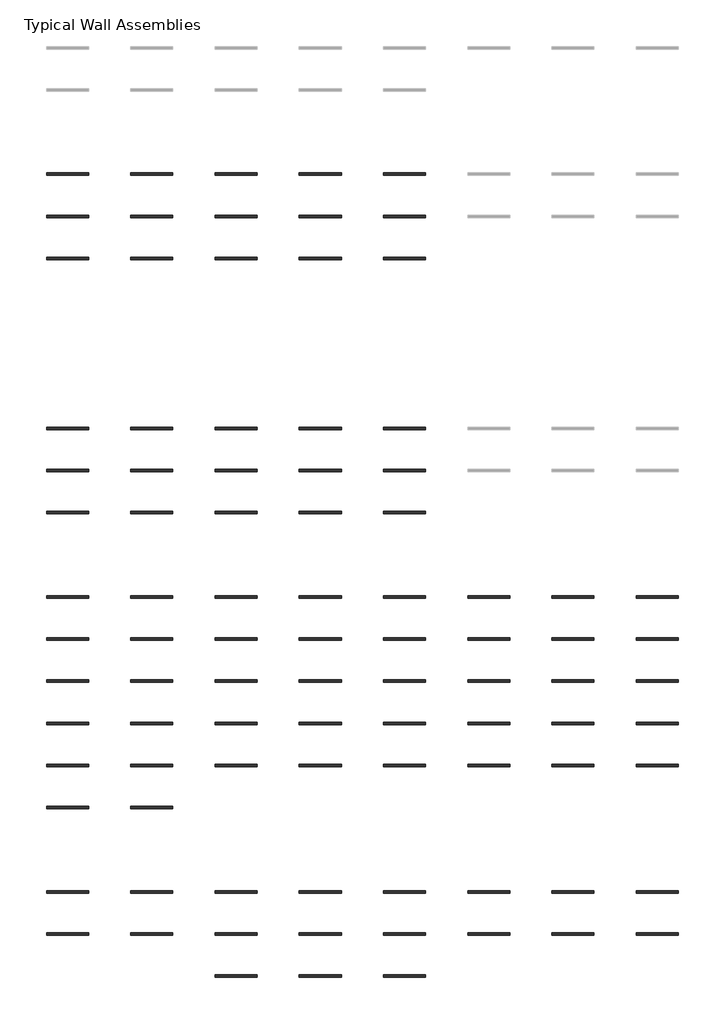
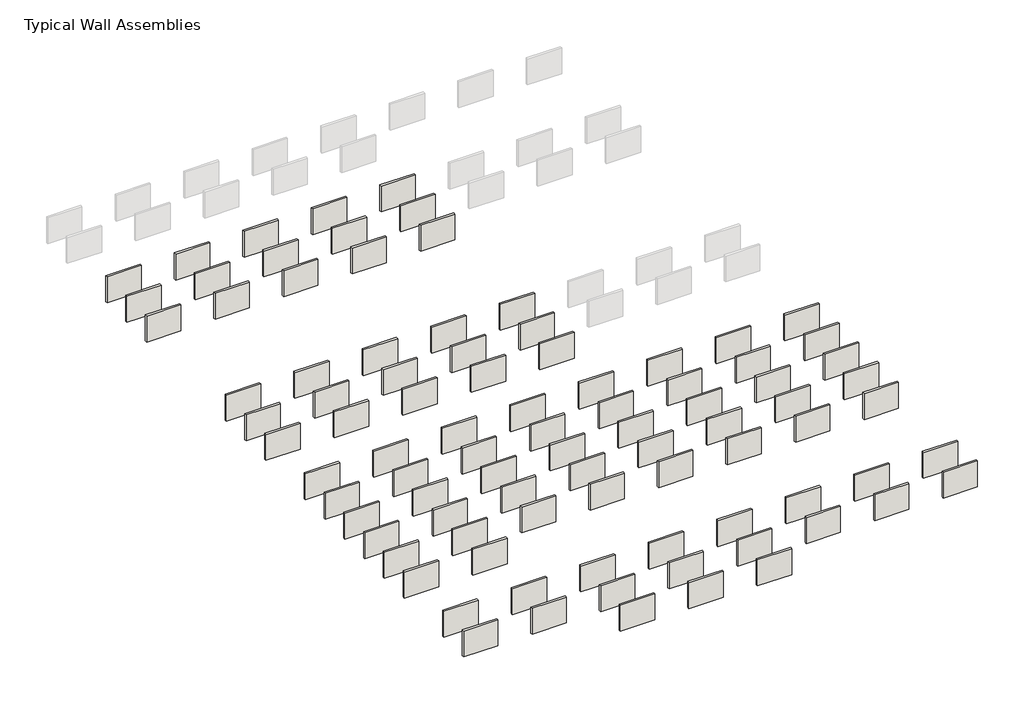
# One storey, part 5 of 8: 91 walls.
"""IFC4 building model written with IfcOpenShell, lengths in millimetres."""

from ifc_helpers import new_model, si_unit, frame, origin, place, context, project, spatial, polyline, outline, extrude, element, save

model = new_model("IFC4")

# Units and contexts
model_context = context("Model", 3, world=origin())
ifc_project = project(units=[si_unit("LENGTHUNIT", "METRE", prefix="MILLI")], contexts=[model_context])

# Site, building, storey
site = spatial("IfcSite", under=ifc_project)
building = spatial("IfcBuilding", under=site)
storey = spatial("IfcBuildingStorey", under=building, Name="Typical Wall Assemblies", Elevation=6096.0)

# Walls
placement = place(None, origin())
element("IfcWall", 1, at=placement, inside=storey, context=model_context, shape_type="SweptSolid", body=[
    extrude(outline(polyline([(3356.874931, -118750.4405032), (308.874931, -118750.4405032), (308.874931, -118574.2279991), (3356.874931, -118574.2279991), (3356.874931, -118750.4405032)])), frame((0.0, 0.0, 6096.0), z_axis=(0.0, 0.0, 1.0), x_axis=(1.0, 0.0, 0.0)), (0.0, 0.0, 1.0), 2438.4),
])
element("IfcWall", 2, at=placement, inside=storey, context=model_context, shape_type="SweptSolid", body=[
    extrude(outline(polyline([(9452.874931, -118750.4405032), (6404.874931, -118750.4405032), (6404.874931, -118574.2279991), (9452.874931, -118574.2279991), (9452.874931, -118750.4405032)])), frame((0.0, 0.0, 6096.0), z_axis=(0.0, 0.0, 1.0), x_axis=(1.0, 0.0, 0.0)), (0.0, 0.0, 1.0), 2438.4),
])
element("IfcWall", 3, at=placement, inside=storey, context=model_context, shape_type="SweptSolid", body=[
    extrude(outline(polyline([(15548.874931, -118750.4405032), (12500.874931, -118750.4405032), (12500.874931, -118574.2279991), (15548.874931, -118574.2279991), (15548.874931, -118750.4405032)])), frame((0.0, 0.0, 6096.0), z_axis=(0.0, 0.0, 1.0), x_axis=(1.0, 0.0, 0.0)), (0.0, 0.0, 1.0), 2438.4),
])
element("IfcWall", 4, at=placement, inside=storey, context=model_context, shape_type="SweptSolid", body=[
    extrude(outline(polyline([(21644.874931, -118750.4405032), (18596.874931, -118750.4405032), (18596.874931, -118574.2279991), (21644.874931, -118574.2279991), (21644.874931, -118750.4405032)])), frame((0.0, 0.0, 6096.0), z_axis=(0.0, 0.0, 1.0), x_axis=(1.0, 0.0, 0.0)), (0.0, 0.0, 1.0), 2438.4),
])
element("IfcWall", 5, at=placement, inside=storey, context=model_context, shape_type="SweptSolid", body=[
    extrude(outline(polyline([(27740.874931, -118750.4405032), (24692.874931, -118750.4405032), (24692.874931, -118574.2279991), (27740.874931, -118574.2279991), (27740.874931, -118750.4405032)])), frame((0.0, 0.0, 6096.0), z_axis=(0.0, 0.0, 1.0), x_axis=(1.0, 0.0, 0.0)), (0.0, 0.0, 1.0), 2438.4),
])
element("IfcWall", 6, at=placement, inside=storey, context=model_context, shape_type="SweptSolid", body=[
    extrude(outline(polyline([(3356.874931, -121798.4405032), (308.874931, -121798.4405032), (308.874931, -121622.2279991), (3356.874931, -121622.2279991), (3356.874931, -121798.4405032)])), frame((0.0, 0.0, 6096.0), z_axis=(0.0, 0.0, 1.0), x_axis=(1.0, 0.0, 0.0)), (0.0, 0.0, 1.0), 2438.4),
])
element("IfcWall", 7, at=placement, inside=storey, context=model_context, shape_type="SweptSolid", body=[
    extrude(outline(polyline([(9452.874931, -121798.4405032), (6404.874931, -121798.4405032), (6404.874931, -121622.2279991), (9452.874931, -121622.2279991), (9452.874931, -121798.4405032)])), frame((0.0, 0.0, 6096.0), z_axis=(0.0, 0.0, 1.0), x_axis=(1.0, 0.0, 0.0)), (0.0, 0.0, 1.0), 2438.4),
])
element("IfcWall", 8, at=placement, inside=storey, context=model_context, shape_type="SweptSolid", body=[
    extrude(outline(polyline([(15548.874931, -121798.4405032), (12500.874931, -121798.4405032), (12500.874931, -121622.2279991), (15548.874931, -121622.2279991), (15548.874931, -121798.4405032)])), frame((0.0, 0.0, 6096.0), z_axis=(0.0, 0.0, 1.0), x_axis=(1.0, 0.0, 0.0)), (0.0, 0.0, 1.0), 2438.4),
])
element("IfcWall", 9, at=placement, inside=storey, context=model_context, shape_type="SweptSolid", body=[
    extrude(outline(polyline([(21644.874931, -121798.4405032), (18596.874931, -121798.4405032), (18596.874931, -121622.2279991), (21644.874931, -121622.2279991), (21644.874931, -121798.4405032)])), frame((0.0, 0.0, 6096.0), z_axis=(0.0, 0.0, 1.0), x_axis=(1.0, 0.0, 0.0)), (0.0, 0.0, 1.0), 2438.4),
])
element("IfcWall", 10, at=placement, inside=storey, context=model_context, shape_type="SweptSolid", body=[
    extrude(outline(polyline([(27740.874931, -121798.4405032), (24692.874931, -121798.4405032), (24692.874931, -121622.2279991), (27740.874931, -121622.2279991), (27740.874931, -121798.4405032)])), frame((0.0, 0.0, 6096.0), z_axis=(0.0, 0.0, 1.0), x_axis=(1.0, 0.0, 0.0)), (0.0, 0.0, 1.0), 2438.4),
])
element("IfcWall", 11, at=placement, inside=storey, context=model_context, shape_type="SweptSolid", body=[
    extrude(outline(polyline([(3356.874931, -124846.4405032), (308.874931, -124846.4405032), (308.874931, -124670.2279991), (3356.874931, -124670.2279991), (3356.874931, -124846.4405032)])), frame((0.0, 0.0, 6096.0), z_axis=(0.0, 0.0, 1.0), x_axis=(1.0, 0.0, 0.0)), (0.0, 0.0, 1.0), 2438.4),
])
element("IfcWall", 12, at=placement, inside=storey, context=model_context, shape_type="SweptSolid", body=[
    extrude(outline(polyline([(9452.874931, -124846.4405032), (6404.874931, -124846.4405032), (6404.874931, -124670.2279991), (9452.874931, -124670.2279991), (9452.874931, -124846.4405032)])), frame((0.0, 0.0, 6096.0), z_axis=(0.0, 0.0, 1.0), x_axis=(1.0, 0.0, 0.0)), (0.0, 0.0, 1.0), 2438.4),
])
element("IfcWall", 13, at=placement, inside=storey, context=model_context, shape_type="SweptSolid", body=[
    extrude(outline(polyline([(15548.874931, -124846.4405032), (12500.874931, -124846.4405032), (12500.874931, -124670.2279991), (15548.874931, -124670.2279991), (15548.874931, -124846.4405032)])), frame((0.0, 0.0, 6096.0), z_axis=(0.0, 0.0, 1.0), x_axis=(1.0, 0.0, 0.0)), (0.0, 0.0, 1.0), 2438.4),
])
element("IfcWall", 14, at=placement, inside=storey, context=model_context, shape_type="SweptSolid", body=[
    extrude(outline(polyline([(21644.874931, -124846.4405032), (18596.874931, -124846.4405032), (18596.874931, -124670.2279991), (21644.874931, -124670.2279991), (21644.874931, -124846.4405032)])), frame((0.0, 0.0, 6096.0), z_axis=(0.0, 0.0, 1.0), x_axis=(1.0, 0.0, 0.0)), (0.0, 0.0, 1.0), 2438.4),
])
element("IfcWall", 15, at=placement, inside=storey, context=model_context, shape_type="SweptSolid", body=[
    extrude(outline(polyline([(27740.874931, -124846.4405032), (24692.874931, -124846.4405032), (24692.874931, -124670.2279991), (27740.874931, -124670.2279991), (27740.874931, -124846.4405032)])), frame((0.0, 0.0, 6096.0), z_axis=(0.0, 0.0, 1.0), x_axis=(1.0, 0.0, 0.0)), (0.0, 0.0, 1.0), 2438.4),
])
element("IfcWall", 16, at=placement, inside=storey, context=model_context, shape_type="SweptSolid", body=[
    extrude(outline(polyline([(3356.874931, -130942.4405032), (308.874931, -130942.4405032), (308.874931, -130766.2279991), (3356.874931, -130766.2279991), (3356.874931, -130942.4405032)])), frame((0.0, 0.0, 6096.0), z_axis=(0.0, 0.0, 1.0), x_axis=(1.0, 0.0, 0.0)), (0.0, 0.0, 1.0), 2438.4),
])
element("IfcWall", 17, at=placement, inside=storey, context=model_context, shape_type="SweptSolid", body=[
    extrude(outline(polyline([(9452.874931, -130942.4405032), (6404.874931, -130942.4405032), (6404.874931, -130766.2279991), (9452.874931, -130766.2279991), (9452.874931, -130942.4405032)])), frame((0.0, 0.0, 6096.0), z_axis=(0.0, 0.0, 1.0), x_axis=(1.0, 0.0, 0.0)), (0.0, 0.0, 1.0), 2438.4),
])
element("IfcWall", 18, at=placement, inside=storey, context=model_context, shape_type="SweptSolid", body=[
    extrude(outline(polyline([(15548.874931, -130942.4405032), (12500.874931, -130942.4405032), (12500.874931, -130766.2279991), (15548.874931, -130766.2279991), (15548.874931, -130942.4405032)])), frame((0.0, 0.0, 6096.0), z_axis=(0.0, 0.0, 1.0), x_axis=(1.0, 0.0, 0.0)), (0.0, 0.0, 1.0), 2438.4),
])
element("IfcWall", 19, at=placement, inside=storey, context=model_context, shape_type="SweptSolid", body=[
    extrude(outline(polyline([(21644.874931, -130942.4405032), (18596.874931, -130942.4405032), (18596.874931, -130766.2279991), (21644.874931, -130766.2279991), (21644.874931, -130942.4405032)])), frame((0.0, 0.0, 6096.0), z_axis=(0.0, 0.0, 1.0), x_axis=(1.0, 0.0, 0.0)), (0.0, 0.0, 1.0), 2438.4),
])
element("IfcWall", 20, at=placement, inside=storey, context=model_context, shape_type="SweptSolid", body=[
    extrude(outline(polyline([(27740.874931, -130942.4405032), (24692.874931, -130942.4405032), (24692.874931, -130766.2279991), (27740.874931, -130766.2279991), (27740.874931, -130942.4405032)])), frame((0.0, 0.0, 6096.0), z_axis=(0.0, 0.0, 1.0), x_axis=(1.0, 0.0, 0.0)), (0.0, 0.0, 1.0), 2438.4),
])
element("IfcWall", 21, at=placement, inside=storey, context=model_context, shape_type="SweptSolid", body=[
    extrude(outline(polyline([(33836.874931, -130942.4405032), (30788.874931, -130942.4405032), (30788.874931, -130766.2279991), (33836.874931, -130766.2279991), (33836.874931, -130942.4405032)])), frame((0.0, 0.0, 6096.0), z_axis=(0.0, 0.0, 1.0), x_axis=(1.0, 0.0, 0.0)), (0.0, 0.0, 1.0), 2438.4),
])
element("IfcWall", 22, at=placement, inside=storey, context=model_context, shape_type="SweptSolid", body=[
    extrude(outline(polyline([(39932.874931, -130942.4405032), (36884.874931, -130942.4405032), (36884.874931, -130766.2279991), (39932.874931, -130766.2279991), (39932.874931, -130942.4405032)])), frame((0.0, 0.0, 6096.0), z_axis=(0.0, 0.0, 1.0), x_axis=(1.0, 0.0, 0.0)), (0.0, 0.0, 1.0), 2438.4),
])
element("IfcWall", 23, at=placement, inside=storey, context=model_context, shape_type="SweptSolid", body=[
    extrude(outline(polyline([(46028.874931, -130942.4405032), (42980.874931, -130942.4405032), (42980.874931, -130766.2279991), (46028.874931, -130766.2279991), (46028.874931, -130942.4405032)])), frame((0.0, 0.0, 6096.0), z_axis=(0.0, 0.0, 1.0), x_axis=(1.0, 0.0, 0.0)), (0.0, 0.0, 1.0), 2438.4),
])
element("IfcWall", 24, at=placement, inside=storey, context=model_context, shape_type="SweptSolid", body=[
    extrude(outline(polyline([(3356.874931, -133990.4405032), (308.874931, -133990.4405032), (308.874931, -133814.2279991), (3356.874931, -133814.2279991), (3356.874931, -133990.4405032)])), frame((0.0, 0.0, 6096.0), z_axis=(0.0, 0.0, 1.0), x_axis=(1.0, 0.0, 0.0)), (0.0, 0.0, 1.0), 2438.4),
])
element("IfcWall", 25, at=placement, inside=storey, context=model_context, shape_type="SweptSolid", body=[
    extrude(outline(polyline([(9452.874931, -133990.4405032), (6404.874931, -133990.4405032), (6404.874931, -133814.2279991), (9452.874931, -133814.2279991), (9452.874931, -133990.4405032)])), frame((0.0, 0.0, 6096.0), z_axis=(0.0, 0.0, 1.0), x_axis=(1.0, 0.0, 0.0)), (0.0, 0.0, 1.0), 2438.4),
])
element("IfcWall", 26, at=placement, inside=storey, context=model_context, shape_type="SweptSolid", body=[
    extrude(outline(polyline([(15548.874931, -133990.4405032), (12500.874931, -133990.4405032), (12500.874931, -133814.2279991), (15548.874931, -133814.2279991), (15548.874931, -133990.4405032)])), frame((0.0, 0.0, 6096.0), z_axis=(0.0, 0.0, 1.0), x_axis=(1.0, 0.0, 0.0)), (0.0, 0.0, 1.0), 2438.4),
])
element("IfcWall", 27, at=placement, inside=storey, context=model_context, shape_type="SweptSolid", body=[
    extrude(outline(polyline([(21644.874931, -133990.4405032), (18596.874931, -133990.4405032), (18596.874931, -133814.2279991), (21644.874931, -133814.2279991), (21644.874931, -133990.4405032)])), frame((0.0, 0.0, 6096.0), z_axis=(0.0, 0.0, 1.0), x_axis=(1.0, 0.0, 0.0)), (0.0, 0.0, 1.0), 2438.4),
])
element("IfcWall", 28, at=placement, inside=storey, context=model_context, shape_type="SweptSolid", body=[
    extrude(outline(polyline([(27740.874931, -133990.4405032), (24692.874931, -133990.4405032), (24692.874931, -133814.2279991), (27740.874931, -133814.2279991), (27740.874931, -133990.4405032)])), frame((0.0, 0.0, 6096.0), z_axis=(0.0, 0.0, 1.0), x_axis=(1.0, 0.0, 0.0)), (0.0, 0.0, 1.0), 2438.4),
])
element("IfcWall", 29, at=placement, inside=storey, context=model_context, shape_type="SweptSolid", body=[
    extrude(outline(polyline([(33836.874931, -133990.4405032), (30788.874931, -133990.4405032), (30788.874931, -133814.2279991), (33836.874931, -133814.2279991), (33836.874931, -133990.4405032)])), frame((0.0, 0.0, 6096.0), z_axis=(0.0, 0.0, 1.0), x_axis=(1.0, 0.0, 0.0)), (0.0, 0.0, 1.0), 2438.4),
])
element("IfcWall", 30, at=placement, inside=storey, context=model_context, shape_type="SweptSolid", body=[
    extrude(outline(polyline([(39932.874931, -133990.4405032), (36884.874931, -133990.4405032), (36884.874931, -133814.2279991), (39932.874931, -133814.2279991), (39932.874931, -133990.4405032)])), frame((0.0, 0.0, 6096.0), z_axis=(0.0, 0.0, 1.0), x_axis=(1.0, 0.0, 0.0)), (0.0, 0.0, 1.0), 2438.4),
])
element("IfcWall", 31, at=placement, inside=storey, context=model_context, shape_type="SweptSolid", body=[
    extrude(outline(polyline([(46028.874931, -133990.4405032), (42980.874931, -133990.4405032), (42980.874931, -133814.2279991), (46028.874931, -133814.2279991), (46028.874931, -133990.4405032)])), frame((0.0, 0.0, 6096.0), z_axis=(0.0, 0.0, 1.0), x_axis=(1.0, 0.0, 0.0)), (0.0, 0.0, 1.0), 2438.4),
])
element("IfcWall", 32, at=placement, inside=storey, context=model_context, shape_type="SweptSolid", body=[
    extrude(outline(polyline([(3356.874931, -137038.4405032), (308.874931, -137038.4405032), (308.874931, -136862.2279991), (3356.874931, -136862.2279991), (3356.874931, -137038.4405032)])), frame((0.0, 0.0, 6096.0), z_axis=(0.0, 0.0, 1.0), x_axis=(1.0, 0.0, 0.0)), (0.0, 0.0, 1.0), 2438.4),
])
element("IfcWall", 33, at=placement, inside=storey, context=model_context, shape_type="SweptSolid", body=[
    extrude(outline(polyline([(9452.874931, -137038.4405032), (6404.874931, -137038.4405032), (6404.874931, -136862.2279991), (9452.874931, -136862.2279991), (9452.874931, -137038.4405032)])), frame((0.0, 0.0, 6096.0), z_axis=(0.0, 0.0, 1.0), x_axis=(1.0, 0.0, 0.0)), (0.0, 0.0, 1.0), 2438.4),
])
element("IfcWall", 34, at=placement, inside=storey, context=model_context, shape_type="SweptSolid", body=[
    extrude(outline(polyline([(15548.874931, -137038.4405032), (12500.874931, -137038.4405032), (12500.874931, -136862.2279991), (15548.874931, -136862.2279991), (15548.874931, -137038.4405032)])), frame((0.0, 0.0, 6096.0), z_axis=(0.0, 0.0, 1.0), x_axis=(1.0, 0.0, 0.0)), (0.0, 0.0, 1.0), 2438.4),
])
element("IfcWall", 35, at=placement, inside=storey, context=model_context, shape_type="SweptSolid", body=[
    extrude(outline(polyline([(21644.874931, -137038.4405032), (18596.874931, -137038.4405032), (18596.874931, -136862.2279991), (21644.874931, -136862.2279991), (21644.874931, -137038.4405032)])), frame((0.0, 0.0, 6096.0), z_axis=(0.0, 0.0, 1.0), x_axis=(1.0, 0.0, 0.0)), (0.0, 0.0, 1.0), 2438.4),
])
element("IfcWall", 36, at=placement, inside=storey, context=model_context, shape_type="SweptSolid", body=[
    extrude(outline(polyline([(27740.874931, -137038.4405032), (24692.874931, -137038.4405032), (24692.874931, -136862.2279991), (27740.874931, -136862.2279991), (27740.874931, -137038.4405032)])), frame((0.0, 0.0, 6096.0), z_axis=(0.0, 0.0, 1.0), x_axis=(1.0, 0.0, 0.0)), (0.0, 0.0, 1.0), 2438.4),
])
element("IfcWall", 37, at=placement, inside=storey, context=model_context, shape_type="SweptSolid", body=[
    extrude(outline(polyline([(33836.874931, -137038.4405032), (30788.874931, -137038.4405032), (30788.874931, -136862.2279991), (33836.874931, -136862.2279991), (33836.874931, -137038.4405032)])), frame((0.0, 0.0, 6096.0), z_axis=(0.0, 0.0, 1.0), x_axis=(1.0, 0.0, 0.0)), (0.0, 0.0, 1.0), 2438.4),
])
element("IfcWall", 38, at=placement, inside=storey, context=model_context, shape_type="SweptSolid", body=[
    extrude(outline(polyline([(39932.874931, -137038.4405032), (36884.874931, -137038.4405032), (36884.874931, -136862.2279991), (39932.874931, -136862.2279991), (39932.874931, -137038.4405032)])), frame((0.0, 0.0, 6096.0), z_axis=(0.0, 0.0, 1.0), x_axis=(1.0, 0.0, 0.0)), (0.0, 0.0, 1.0), 2438.4),
])
element("IfcWall", 39, at=placement, inside=storey, context=model_context, shape_type="SweptSolid", body=[
    extrude(outline(polyline([(46028.874931, -137038.4405032), (42980.874931, -137038.4405032), (42980.874931, -136862.2279991), (46028.874931, -136862.2279991), (46028.874931, -137038.4405032)])), frame((0.0, 0.0, 6096.0), z_axis=(0.0, 0.0, 1.0), x_axis=(1.0, 0.0, 0.0)), (0.0, 0.0, 1.0), 2438.4),
])
element("IfcWall", 40, at=placement, inside=storey, context=model_context, shape_type="SweptSolid", body=[
    extrude(outline(polyline([(3356.874931, -140086.4405032), (308.874931, -140086.4405032), (308.874931, -139910.2279991), (3356.874931, -139910.2279991), (3356.874931, -140086.4405032)])), frame((0.0, 0.0, 6096.0), z_axis=(0.0, 0.0, 1.0), x_axis=(1.0, 0.0, 0.0)), (0.0, 0.0, 1.0), 2438.4),
])
element("IfcWall", 41, at=placement, inside=storey, context=model_context, shape_type="SweptSolid", body=[
    extrude(outline(polyline([(9452.874931, -140086.4405032), (6404.874931, -140086.4405032), (6404.874931, -139910.2279991), (9452.874931, -139910.2279991), (9452.874931, -140086.4405032)])), frame((0.0, 0.0, 6096.0), z_axis=(0.0, 0.0, 1.0), x_axis=(1.0, 0.0, 0.0)), (0.0, 0.0, 1.0), 2438.4),
])
element("IfcWall", 42, at=placement, inside=storey, context=model_context, shape_type="SweptSolid", body=[
    extrude(outline(polyline([(15548.874931, -140086.4405032), (12500.874931, -140086.4405032), (12500.874931, -139910.2279991), (15548.874931, -139910.2279991), (15548.874931, -140086.4405032)])), frame((0.0, 0.0, 6096.0), z_axis=(0.0, 0.0, 1.0), x_axis=(1.0, 0.0, 0.0)), (0.0, 0.0, 1.0), 2438.4),
])
element("IfcWall", 43, at=placement, inside=storey, context=model_context, shape_type="SweptSolid", body=[
    extrude(outline(polyline([(21644.874931, -140086.4405032), (18596.874931, -140086.4405032), (18596.874931, -139910.2279991), (21644.874931, -139910.2279991), (21644.874931, -140086.4405032)])), frame((0.0, 0.0, 6096.0), z_axis=(0.0, 0.0, 1.0), x_axis=(1.0, 0.0, 0.0)), (0.0, 0.0, 1.0), 2438.4),
])
element("IfcWall", 44, at=placement, inside=storey, context=model_context, shape_type="SweptSolid", body=[
    extrude(outline(polyline([(27740.874931, -140086.4405032), (24692.874931, -140086.4405032), (24692.874931, -139910.2279991), (27740.874931, -139910.2279991), (27740.874931, -140086.4405032)])), frame((0.0, 0.0, 6096.0), z_axis=(0.0, 0.0, 1.0), x_axis=(1.0, 0.0, 0.0)), (0.0, 0.0, 1.0), 2438.4),
])
element("IfcWall", 45, at=placement, inside=storey, context=model_context, shape_type="SweptSolid", body=[
    extrude(outline(polyline([(33836.874931, -140086.4405032), (30788.874931, -140086.4405032), (30788.874931, -139910.2279991), (33836.874931, -139910.2279991), (33836.874931, -140086.4405032)])), frame((0.0, 0.0, 6096.0), z_axis=(0.0, 0.0, 1.0), x_axis=(1.0, 0.0, 0.0)), (0.0, 0.0, 1.0), 2438.4),
])
element("IfcWall", 46, at=placement, inside=storey, context=model_context, shape_type="SweptSolid", body=[
    extrude(outline(polyline([(39932.874931, -140086.4405032), (36884.874931, -140086.4405032), (36884.874931, -139910.2279991), (39932.874931, -139910.2279991), (39932.874931, -140086.4405032)])), frame((0.0, 0.0, 6096.0), z_axis=(0.0, 0.0, 1.0), x_axis=(1.0, 0.0, 0.0)), (0.0, 0.0, 1.0), 2438.4),
])
element("IfcWall", 47, at=placement, inside=storey, context=model_context, shape_type="SweptSolid", body=[
    extrude(outline(polyline([(46028.874931, -140086.4405032), (42980.874931, -140086.4405032), (42980.874931, -139910.2279991), (46028.874931, -139910.2279991), (46028.874931, -140086.4405032)])), frame((0.0, 0.0, 6096.0), z_axis=(0.0, 0.0, 1.0), x_axis=(1.0, 0.0, 0.0)), (0.0, 0.0, 1.0), 2438.4),
])
element("IfcWall", 48, at=placement, inside=storey, context=model_context, shape_type="SweptSolid", body=[
    extrude(outline(polyline([(3356.874931, -143134.4405032), (308.874931, -143134.4405032), (308.874931, -142958.2279991), (3356.874931, -142958.2279991), (3356.874931, -143134.4405032)])), frame((0.0, 0.0, 6096.0), z_axis=(0.0, 0.0, 1.0), x_axis=(1.0, 0.0, 0.0)), (0.0, 0.0, 1.0), 2438.4),
])
element("IfcWall", 49, at=placement, inside=storey, context=model_context, shape_type="SweptSolid", body=[
    extrude(outline(polyline([(9452.874931, -143134.4405032), (6404.874931, -143134.4405032), (6404.874931, -142958.2279991), (9452.874931, -142958.2279991), (9452.874931, -143134.4405032)])), frame((0.0, 0.0, 6096.0), z_axis=(0.0, 0.0, 1.0), x_axis=(1.0, 0.0, 0.0)), (0.0, 0.0, 1.0), 2438.4),
])
element("IfcWall", 50, at=placement, inside=storey, context=model_context, shape_type="SweptSolid", body=[
    extrude(outline(polyline([(15548.874931, -143134.4405032), (12500.874931, -143134.4405032), (12500.874931, -142958.2279991), (15548.874931, -142958.2279991), (15548.874931, -143134.4405032)])), frame((0.0, 0.0, 6096.0), z_axis=(0.0, 0.0, 1.0), x_axis=(1.0, 0.0, 0.0)), (0.0, 0.0, 1.0), 2438.4),
])
element("IfcWall", 51, at=placement, inside=storey, context=model_context, shape_type="SweptSolid", body=[
    extrude(outline(polyline([(21644.874931, -143134.4405032), (18596.874931, -143134.4405032), (18596.874931, -142958.2279991), (21644.874931, -142958.2279991), (21644.874931, -143134.4405032)])), frame((0.0, 0.0, 6096.0), z_axis=(0.0, 0.0, 1.0), x_axis=(1.0, 0.0, 0.0)), (0.0, 0.0, 1.0), 2438.4),
])
element("IfcWall", 52, at=placement, inside=storey, context=model_context, shape_type="SweptSolid", body=[
    extrude(outline(polyline([(27740.874931, -143134.4405032), (24692.874931, -143134.4405032), (24692.874931, -142958.2279991), (27740.874931, -142958.2279991), (27740.874931, -143134.4405032)])), frame((0.0, 0.0, 6096.0), z_axis=(0.0, 0.0, 1.0), x_axis=(1.0, 0.0, 0.0)), (0.0, 0.0, 1.0), 2438.4),
])
element("IfcWall", 53, at=placement, inside=storey, context=model_context, shape_type="SweptSolid", body=[
    extrude(outline(polyline([(33836.874931, -143134.4405032), (30788.874931, -143134.4405032), (30788.874931, -142958.2279991), (33836.874931, -142958.2279991), (33836.874931, -143134.4405032)])), frame((0.0, 0.0, 6096.0), z_axis=(0.0, 0.0, 1.0), x_axis=(1.0, 0.0, 0.0)), (0.0, 0.0, 1.0), 2438.4),
])
element("IfcWall", 54, at=placement, inside=storey, context=model_context, shape_type="SweptSolid", body=[
    extrude(outline(polyline([(39932.874931, -143134.4405032), (36884.874931, -143134.4405032), (36884.874931, -142958.2279991), (39932.874931, -142958.2279991), (39932.874931, -143134.4405032)])), frame((0.0, 0.0, 6096.0), z_axis=(0.0, 0.0, 1.0), x_axis=(1.0, 0.0, 0.0)), (0.0, 0.0, 1.0), 2438.4),
])
element("IfcWall", 55, at=placement, inside=storey, context=model_context, shape_type="SweptSolid", body=[
    extrude(outline(polyline([(46028.874931, -143134.4405032), (42980.874931, -143134.4405032), (42980.874931, -142958.2279991), (46028.874931, -142958.2279991), (46028.874931, -143134.4405032)])), frame((0.0, 0.0, 6096.0), z_axis=(0.0, 0.0, 1.0), x_axis=(1.0, 0.0, 0.0)), (0.0, 0.0, 1.0), 2438.4),
])
element("IfcWall", 56, at=placement, inside=storey, context=model_context, shape_type="SweptSolid", body=[
    extrude(outline(polyline([(3356.874931, -146182.4405032), (308.874931, -146182.4405032), (308.874931, -146006.2279991), (3356.874931, -146006.2279991), (3356.874931, -146182.4405032)])), frame((0.0, 0.0, 6096.0), z_axis=(0.0, 0.0, 1.0), x_axis=(1.0, 0.0, 0.0)), (0.0, 0.0, 1.0), 2438.4),
])
element("IfcWall", 57, at=placement, inside=storey, context=model_context, shape_type="SweptSolid", body=[
    extrude(outline(polyline([(9452.874931, -146182.4405032), (6404.874931, -146182.4405032), (6404.874931, -146006.2279991), (9452.874931, -146006.2279991), (9452.874931, -146182.4405032)])), frame((0.0, 0.0, 6096.0), z_axis=(0.0, 0.0, 1.0), x_axis=(1.0, 0.0, 0.0)), (0.0, 0.0, 1.0), 2438.4),
])
element("IfcWall", 58, at=placement, inside=storey, context=model_context, shape_type="SweptSolid", body=[
    extrude(outline(polyline([(3356.874931, -152279.2279032), (308.874931, -152279.2279032), (308.874931, -152101.4405991), (3356.874931, -152101.4405991), (3356.874931, -152279.2279032)])), frame((0.0, 0.0, 6096.0), z_axis=(0.0, 0.0, 1.0), x_axis=(1.0, 0.0, 0.0)), (0.0, 0.0, 1.0), 2438.4),
])
element("IfcWall", 59, at=placement, inside=storey, context=model_context, shape_type="SweptSolid", body=[
    extrude(outline(polyline([(9452.874931, -152279.2279032), (6404.874931, -152279.2279032), (6404.874931, -152101.4405991), (9452.874931, -152101.4405991), (9452.874931, -152279.2279032)])), frame((0.0, 0.0, 6096.0), z_axis=(0.0, 0.0, 1.0), x_axis=(1.0, 0.0, 0.0)), (0.0, 0.0, 1.0), 2438.4),
])
element("IfcWall", 60, at=placement, inside=storey, context=model_context, shape_type="SweptSolid", body=[
    extrude(outline(polyline([(15548.874931, -152279.2279032), (12500.874931, -152279.2279032), (12500.874931, -152101.4405991), (15548.874931, -152101.4405991), (15548.874931, -152279.2279032)])), frame((0.0, 0.0, 6096.0), z_axis=(0.0, 0.0, 1.0), x_axis=(1.0, 0.0, 0.0)), (0.0, 0.0, 1.0), 2438.4),
])
element("IfcWall", 61, at=placement, inside=storey, context=model_context, shape_type="SweptSolid", body=[
    extrude(outline(polyline([(21644.874931, -152279.2279032), (18596.874931, -152279.2279032), (18596.874931, -152101.4405991), (21644.874931, -152101.4405991), (21644.874931, -152279.2279032)])), frame((0.0, 0.0, 6096.0), z_axis=(0.0, 0.0, 1.0), x_axis=(1.0, 0.0, 0.0)), (0.0, 0.0, 1.0), 2438.4),
])
element("IfcWall", 62, at=placement, inside=storey, context=model_context, shape_type="SweptSolid", body=[
    extrude(outline(polyline([(27740.874931, -152279.2279032), (24692.874931, -152279.2279032), (24692.874931, -152101.4405991), (27740.874931, -152101.4405991), (27740.874931, -152279.2279032)])), frame((0.0, 0.0, 6096.0), z_axis=(0.0, 0.0, 1.0), x_axis=(1.0, 0.0, 0.0)), (0.0, 0.0, 1.0), 2438.4),
])
element("IfcWall", 63, at=placement, inside=storey, context=model_context, shape_type="SweptSolid", body=[
    extrude(outline(polyline([(33836.874931, -152279.2279032), (30788.874931, -152279.2279032), (30788.874931, -152101.4405991), (33836.874931, -152101.4405991), (33836.874931, -152279.2279032)])), frame((0.0, 0.0, 6096.0), z_axis=(0.0, 0.0, 1.0), x_axis=(1.0, 0.0, 0.0)), (0.0, 0.0, 1.0), 2438.4),
])
element("IfcWall", 64, at=placement, inside=storey, context=model_context, shape_type="SweptSolid", body=[
    extrude(outline(polyline([(39932.874931, -152279.2279032), (36884.874931, -152279.2279032), (36884.874931, -152101.4405991), (39932.874931, -152101.4405991), (39932.874931, -152279.2279032)])), frame((0.0, 0.0, 6096.0), z_axis=(0.0, 0.0, 1.0), x_axis=(1.0, 0.0, 0.0)), (0.0, 0.0, 1.0), 2438.4),
])
element("IfcWall", 65, at=placement, inside=storey, context=model_context, shape_type="SweptSolid", body=[
    extrude(outline(polyline([(46028.874931, -152279.2279032), (42980.874931, -152279.2279032), (42980.874931, -152101.4405991), (46028.874931, -152101.4405991), (46028.874931, -152279.2279032)])), frame((0.0, 0.0, 6096.0), z_axis=(0.0, 0.0, 1.0), x_axis=(1.0, 0.0, 0.0)), (0.0, 0.0, 1.0), 2438.4),
])
element("IfcWall", 66, at=placement, inside=storey, context=model_context, shape_type="SweptSolid", body=[
    extrude(outline(polyline([(3356.874931, -155327.2279032), (308.874931, -155327.2279032), (308.874931, -155149.4405991), (3356.874931, -155149.4405991), (3356.874931, -155327.2279032)])), frame((0.0, 0.0, 6096.0), z_axis=(0.0, 0.0, 1.0), x_axis=(1.0, 0.0, 0.0)), (0.0, 0.0, 1.0), 2438.4),
])
element("IfcWall", 67, at=placement, inside=storey, context=model_context, shape_type="SweptSolid", body=[
    extrude(outline(polyline([(9452.874931, -155327.2279032), (6404.874931, -155327.2279032), (6404.874931, -155149.4405991), (9452.874931, -155149.4405991), (9452.874931, -155327.2279032)])), frame((0.0, 0.0, 6096.0), z_axis=(0.0, 0.0, 1.0), x_axis=(1.0, 0.0, 0.0)), (0.0, 0.0, 1.0), 2438.4),
])
element("IfcWall", 68, at=placement, inside=storey, context=model_context, shape_type="SweptSolid", body=[
    extrude(outline(polyline([(15548.874931, -155327.2279032), (12500.874931, -155327.2279032), (12500.874931, -155149.4405991), (15548.874931, -155149.4405991), (15548.874931, -155327.2279032)])), frame((0.0, 0.0, 6096.0), z_axis=(0.0, 0.0, 1.0), x_axis=(1.0, 0.0, 0.0)), (0.0, 0.0, 1.0), 2438.4),
])
element("IfcWall", 69, at=placement, inside=storey, context=model_context, shape_type="SweptSolid", body=[
    extrude(outline(polyline([(21644.874931, -155327.2279032), (18596.874931, -155327.2279032), (18596.874931, -155149.4405991), (21644.874931, -155149.4405991), (21644.874931, -155327.2279032)])), frame((0.0, 0.0, 6096.0), z_axis=(0.0, 0.0, 1.0), x_axis=(1.0, 0.0, 0.0)), (0.0, 0.0, 1.0), 2438.4),
])
element("IfcWall", 70, at=placement, inside=storey, context=model_context, shape_type="SweptSolid", body=[
    extrude(outline(polyline([(27740.874931, -155327.2279032), (24692.874931, -155327.2279032), (24692.874931, -155149.4405991), (27740.874931, -155149.4405991), (27740.874931, -155327.2279032)])), frame((0.0, 0.0, 6096.0), z_axis=(0.0, 0.0, 1.0), x_axis=(1.0, 0.0, 0.0)), (0.0, 0.0, 1.0), 2438.4),
])
element("IfcWall", 71, at=placement, inside=storey, context=model_context, shape_type="SweptSolid", body=[
    extrude(outline(polyline([(33836.874931, -155327.2279032), (30788.874931, -155327.2279032), (30788.874931, -155149.4405991), (33836.874931, -155149.4405991), (33836.874931, -155327.2279032)])), frame((0.0, 0.0, 6096.0), z_axis=(0.0, 0.0, 1.0), x_axis=(1.0, 0.0, 0.0)), (0.0, 0.0, 1.0), 2438.4),
])
element("IfcWall", 72, at=placement, inside=storey, context=model_context, shape_type="SweptSolid", body=[
    extrude(outline(polyline([(39932.874931, -155327.2279032), (36884.874931, -155327.2279032), (36884.874931, -155149.4405991), (39932.874931, -155149.4405991), (39932.874931, -155327.2279032)])), frame((0.0, 0.0, 6096.0), z_axis=(0.0, 0.0, 1.0), x_axis=(1.0, 0.0, 0.0)), (0.0, 0.0, 1.0), 2438.4),
])
element("IfcWall", 73, at=placement, inside=storey, context=model_context, shape_type="SweptSolid", body=[
    extrude(outline(polyline([(46028.874931, -155327.2279032), (42980.874931, -155327.2279032), (42980.874931, -155149.4405991), (46028.874931, -155149.4405991), (46028.874931, -155327.2279032)])), frame((0.0, 0.0, 6096.0), z_axis=(0.0, 0.0, 1.0), x_axis=(1.0, 0.0, 0.0)), (0.0, 0.0, 1.0), 2438.4),
])
element("IfcWall", 74, at=placement, inside=storey, context=model_context, shape_type="SweptSolid", body=[
    extrude(outline(polyline([(15548.874931, -158375.2279032), (12500.874931, -158375.2279032), (12500.874931, -158197.4405991), (15548.874931, -158197.4405991), (15548.874931, -158375.2279032)])), frame((0.0, 0.0, 6096.0), z_axis=(0.0, 0.0, 1.0), x_axis=(1.0, 0.0, 0.0)), (0.0, 0.0, 1.0), 2438.4),
])
element("IfcWall", 75, at=placement, inside=storey, context=model_context, shape_type="SweptSolid", body=[
    extrude(outline(polyline([(21644.874931, -158375.2279032), (18596.874931, -158375.2279032), (18596.874931, -158197.4405991), (21644.874931, -158197.4405991), (21644.874931, -158375.2279032)])), frame((0.0, 0.0, 6096.0), z_axis=(0.0, 0.0, 1.0), x_axis=(1.0, 0.0, 0.0)), (0.0, 0.0, 1.0), 2438.4),
])
element("IfcWall", 76, at=placement, inside=storey, context=model_context, shape_type="SweptSolid", body=[
    extrude(outline(polyline([(27740.874931, -158375.2279032), (24692.874931, -158375.2279032), (24692.874931, -158197.4405991), (27740.874931, -158197.4405991), (27740.874931, -158375.2279032)])), frame((0.0, 0.0, 6096.0), z_axis=(0.0, 0.0, 1.0), x_axis=(1.0, 0.0, 0.0)), (0.0, 0.0, 1.0), 2438.4),
])
element("IfcWall", 77, at=placement, inside=storey, context=model_context, shape_type="SweptSolid", body=[
    extrude(outline(polyline([(3356.874931, -100376.7091546), (308.874931, -100376.7091546), (308.874931, -100198.9218505), (3356.874931, -100198.9218505), (3356.874931, -100376.7091546)])), frame((0.0, 0.0, 6096.0), z_axis=(0.0, 0.0, 1.0), x_axis=(1.0, 0.0, 0.0)), (0.0, 0.0, 1.0), 2438.4),
])
element("IfcWall", 78, at=placement, inside=storey, context=model_context, shape_type="SweptSolid", body=[
    extrude(outline(polyline([(9452.874931, -100376.7091546), (6404.874931, -100376.7091546), (6404.874931, -100198.9218505), (9452.874931, -100198.9218505), (9452.874931, -100376.7091546)])), frame((0.0, 0.0, 6096.0), z_axis=(0.0, 0.0, 1.0), x_axis=(1.0, 0.0, 0.0)), (0.0, 0.0, 1.0), 2438.4),
])
element("IfcWall", 79, at=placement, inside=storey, context=model_context, shape_type="SweptSolid", body=[
    extrude(outline(polyline([(15548.874931, -100376.7091546), (12500.874931, -100376.7091546), (12500.874931, -100198.9218505), (15548.874931, -100198.9218505), (15548.874931, -100376.7091546)])), frame((0.0, 0.0, 6096.0), z_axis=(0.0, 0.0, 1.0), x_axis=(1.0, 0.0, 0.0)), (0.0, 0.0, 1.0), 2438.4),
])
element("IfcWall", 80, at=placement, inside=storey, context=model_context, shape_type="SweptSolid", body=[
    extrude(outline(polyline([(21644.874931, -100376.7091546), (18596.874931, -100376.7091546), (18596.874931, -100198.9218505), (21644.874931, -100198.9218505), (21644.874931, -100376.7091546)])), frame((0.0, 0.0, 6096.0), z_axis=(0.0, 0.0, 1.0), x_axis=(1.0, 0.0, 0.0)), (0.0, 0.0, 1.0), 2438.4),
])
element("IfcWall", 81, at=placement, inside=storey, context=model_context, shape_type="SweptSolid", body=[
    extrude(outline(polyline([(27740.874931, -100376.7091546), (24692.874931, -100376.7091546), (24692.874931, -100198.9218505), (27740.874931, -100198.9218505), (27740.874931, -100376.7091546)])), frame((0.0, 0.0, 6096.0), z_axis=(0.0, 0.0, 1.0), x_axis=(1.0, 0.0, 0.0)), (0.0, 0.0, 1.0), 2438.4),
])
element("IfcWall", 82, at=placement, inside=storey, context=model_context, shape_type="SweptSolid", body=[
    extrude(outline(polyline([(3356.874931, -103424.7091546), (308.874931, -103424.7091546), (308.874931, -103246.9218505), (3356.874931, -103246.9218505), (3356.874931, -103424.7091546)])), frame((0.0, 0.0, 6096.0), z_axis=(0.0, 0.0, 1.0), x_axis=(1.0, 0.0, 0.0)), (0.0, 0.0, 1.0), 2438.4),
])
element("IfcWall", 83, at=placement, inside=storey, context=model_context, shape_type="SweptSolid", body=[
    extrude(outline(polyline([(9452.874931, -103424.7091546), (6404.874931, -103424.7091546), (6404.874931, -103246.9218505), (9452.874931, -103246.9218505), (9452.874931, -103424.7091546)])), frame((0.0, 0.0, 6096.0), z_axis=(0.0, 0.0, 1.0), x_axis=(1.0, 0.0, 0.0)), (0.0, 0.0, 1.0), 2438.4),
])
element("IfcWall", 84, at=placement, inside=storey, context=model_context, shape_type="SweptSolid", body=[
    extrude(outline(polyline([(15548.874931, -103424.7091546), (12500.874931, -103424.7091546), (12500.874931, -103246.9218505), (15548.874931, -103246.9218505), (15548.874931, -103424.7091546)])), frame((0.0, 0.0, 6096.0), z_axis=(0.0, 0.0, 1.0), x_axis=(1.0, 0.0, 0.0)), (0.0, 0.0, 1.0), 2438.4),
])
element("IfcWall", 85, at=placement, inside=storey, context=model_context, shape_type="SweptSolid", body=[
    extrude(outline(polyline([(21644.874931, -103424.7091546), (18596.874931, -103424.7091546), (18596.874931, -103246.9218505), (21644.874931, -103246.9218505), (21644.874931, -103424.7091546)])), frame((0.0, 0.0, 6096.0), z_axis=(0.0, 0.0, 1.0), x_axis=(1.0, 0.0, 0.0)), (0.0, 0.0, 1.0), 2438.4),
])
element("IfcWall", 86, at=placement, inside=storey, context=model_context, shape_type="SweptSolid", body=[
    extrude(outline(polyline([(27740.874931, -103424.7091546), (24692.874931, -103424.7091546), (24692.874931, -103246.9218505), (27740.874931, -103246.9218505), (27740.874931, -103424.7091546)])), frame((0.0, 0.0, 6096.0), z_axis=(0.0, 0.0, 1.0), x_axis=(1.0, 0.0, 0.0)), (0.0, 0.0, 1.0), 2438.4),
])
element("IfcWall", 87, at=placement, inside=storey, context=model_context, shape_type="SweptSolid", body=[
    extrude(outline(polyline([(3356.874931, -106472.7091546), (308.874931, -106472.7091546), (308.874931, -106294.9218505), (3356.874931, -106294.9218505), (3356.874931, -106472.7091546)])), frame((0.0, 0.0, 6096.0), z_axis=(0.0, 0.0, 1.0), x_axis=(1.0, 0.0, 0.0)), (0.0, 0.0, 1.0), 2438.4),
])
element("IfcWall", 88, at=placement, inside=storey, context=model_context, shape_type="SweptSolid", body=[
    extrude(outline(polyline([(9452.874931, -106472.7091546), (6404.874931, -106472.7091546), (6404.874931, -106294.9218505), (9452.874931, -106294.9218505), (9452.874931, -106472.7091546)])), frame((0.0, 0.0, 6096.0), z_axis=(0.0, 0.0, 1.0), x_axis=(1.0, 0.0, 0.0)), (0.0, 0.0, 1.0), 2438.4),
])
element("IfcWall", 89, at=placement, inside=storey, context=model_context, shape_type="SweptSolid", body=[
    extrude(outline(polyline([(15548.874931, -106472.7091546), (12500.874931, -106472.7091546), (12500.874931, -106294.9218505), (15548.874931, -106294.9218505), (15548.874931, -106472.7091546)])), frame((0.0, 0.0, 6096.0), z_axis=(0.0, 0.0, 1.0), x_axis=(1.0, 0.0, 0.0)), (0.0, 0.0, 1.0), 2438.4),
])
element("IfcWall", 90, at=placement, inside=storey, context=model_context, shape_type="SweptSolid", body=[
    extrude(outline(polyline([(21644.874931, -106472.7091546), (18596.874931, -106472.7091546), (18596.874931, -106294.9218505), (21644.874931, -106294.9218505), (21644.874931, -106472.7091546)])), frame((0.0, 0.0, 6096.0), z_axis=(0.0, 0.0, 1.0), x_axis=(1.0, 0.0, 0.0)), (0.0, 0.0, 1.0), 2438.4),
])
element("IfcWall", 91, at=placement, inside=storey, context=model_context, shape_type="SweptSolid", body=[
    extrude(outline(polyline([(27740.874931, -106472.7091546), (24692.874931, -106472.7091546), (24692.874931, -106294.9218505), (27740.874931, -106294.9218505), (27740.874931, -106472.7091546)])), frame((0.0, 0.0, 6096.0), z_axis=(0.0, 0.0, 1.0), x_axis=(1.0, 0.0, 0.0)), (0.0, 0.0, 1.0), 2438.4),
])

save(model, "model.ifc")
